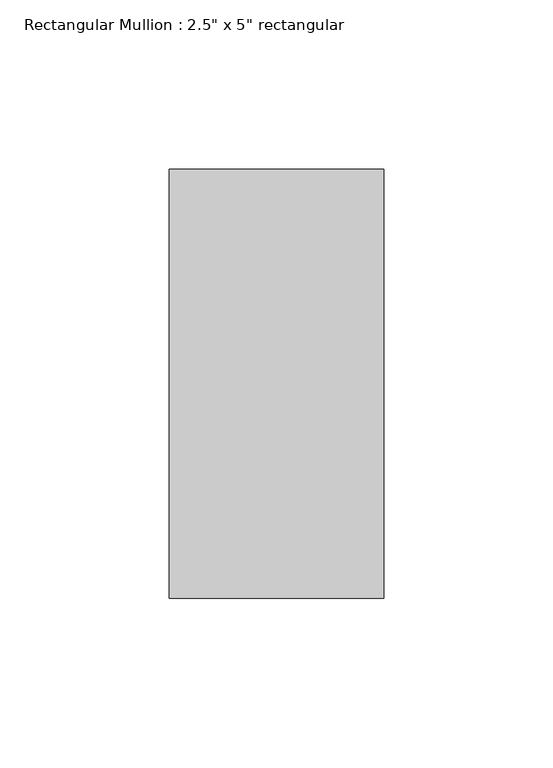
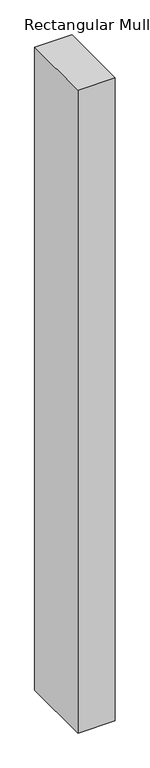
"""IFC4 building model written with IfcOpenShell, lengths in millimetres: member geometry."""

from ifc_helpers import new_model, si_unit, frame, origin, place, context, project, spatial, polyline, outline, extrude, source, transform, mapped, element, save


def member_d7472725(model_context):
    return source(origin(), model_context, "Body", "SweptSolid", [
        extrude(outline(polyline([(0.0, 63.5), (0.0, -63.5), (-63.5, -63.5), (-63.5, 63.5), (0.0, 63.5)])), frame((0.0, 0.0, -1155.7), z_axis=(0.0, 0.0, 1.0), x_axis=(1.0, 0.0, 0.0)), (0.0, 0.0, 1.0), 1155.7),
    ])


if __name__ == "__main__":
    model = new_model("IFC4")
    model_context = context("Model", 3, world=origin())
    ifc_project = project(units=[si_unit("LENGTHUNIT", "METRE", prefix="MILLI")], contexts=[model_context])
    site = spatial("IfcSite", under=ifc_project)
    building = spatial("IfcBuilding", under=site)
    placement = place(None, origin())
    member_shape = member_d7472725(model_context)
    element("IfcMember", 1, ObjectType="Rectangular Mullion : 2.5\" x 5\" rectangular", at=placement, inside=building, context=model_context, shape_type="MappedRepresentation", body=[
        mapped(member_shape, transform((0.0, 0.0, 0.0), x_axis=(1.0, 0.0, 0.0), y_axis=(0.0, 1.0, 0.0), z_axis=(0.0, 0.0, 1.0))),
    ])
    save(model, "model.ifc")
